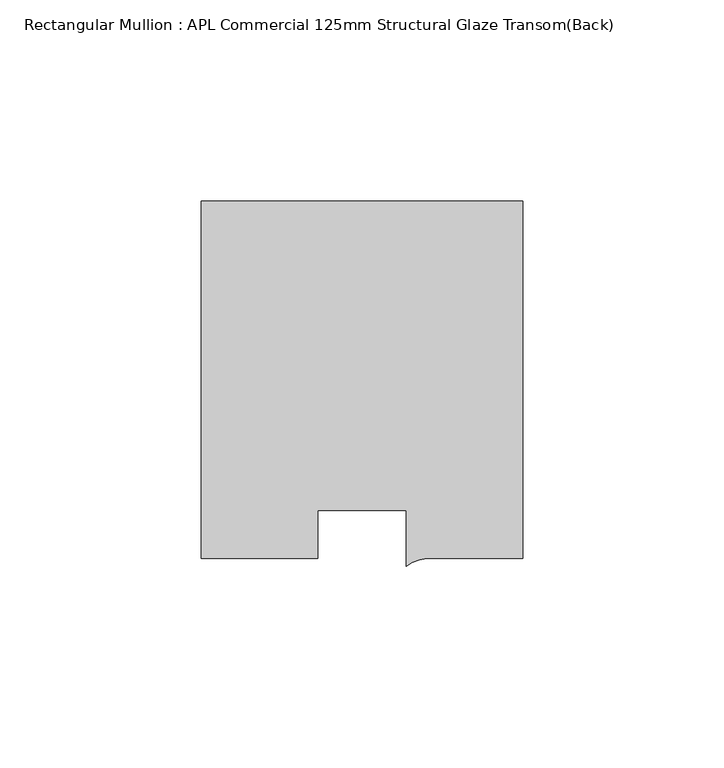
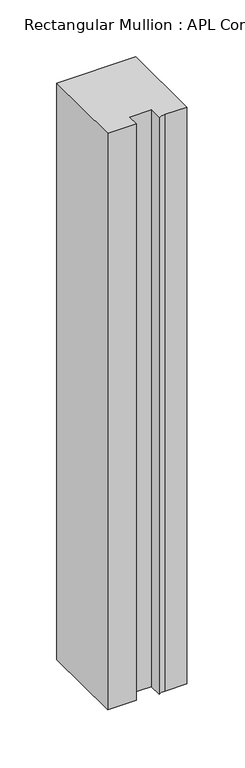
"""IFC4 building model written with IfcOpenShell, lengths in millimetres: member geometry, Rectangular Mullion : APL Commercial 125mm Structural Glaze Transom(Back)."""

from ifc_helpers import new_model, si_unit, point, frame, frame_2d, origin, place, context, project, spatial, polyline, circle_curve, trimmed, segment, composite_curve, outline, extrude, source, transform, mapped, element, save


def rectangular_mullion_apl_commercial_125mm_structural_glaze_9252540e(model_context):
    return source(origin(), model_context, "Body", "SweptSolid", [
        extrude(outline(composite_curve([segment(polyline([(40.0, 104.0), (40.0, 15.0000829), (17.9999542, 15.0000829)]), True, "CONTINUOUS"), segment(trimmed(circle_curve(frame_2d((17.1097719, 4.581653)), 10.4563907), [point((17.9999542, 15.0000829))], [point((11.0000151, 13.0673455))], True, "CARTESIAN"), True, "CONTINUOUS"), segment(polyline([(11.0000151, 13.0673455), (11.0000151, 27.0), (-11.0000151, 27.0), (-11.0000151, 15.0000829), (-40.0, 15.0000829), (-40.0, 104.0), (40.0, 104.0)]), True, "CONTINUOUS")], self_intersect=False)), frame((0.0, 0.0, -617.9999782), z_axis=(0.0, 0.0, 1.0), x_axis=(1.0, 0.0, 0.0)), (0.0, 0.0, 1.0), 617.9999782),
    ])


if __name__ == "__main__":
    model = new_model("IFC4")
    model_context = context("Model", 3, world=origin())
    ifc_project = project(units=[si_unit("LENGTHUNIT", "METRE", prefix="MILLI")], contexts=[model_context])
    site = spatial("IfcSite", under=ifc_project)
    building = spatial("IfcBuilding", under=site)
    placement = place(None, origin())
    rectangular_mullion_apl_commercial_125mm_structural_glaze_shape = rectangular_mullion_apl_commercial_125mm_structural_glaze_9252540e(model_context)
    element("IfcMember", 1, ObjectType="Rectangular Mullion : APL Commercial 125mm Structural Glaze Transom(Back)", at=placement, inside=building, context=model_context, shape_type="MappedRepresentation", body=[
        mapped(rectangular_mullion_apl_commercial_125mm_structural_glaze_shape, transform((0.0, 0.0, 0.0), x_axis=(1.0, 0.0, 0.0), y_axis=(0.0, 1.0, 0.0), z_axis=(0.0, 0.0, 1.0))),
    ])
    save(model, "model.ifc")
